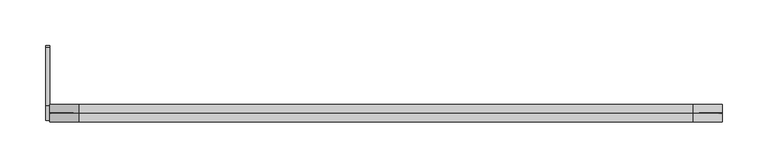
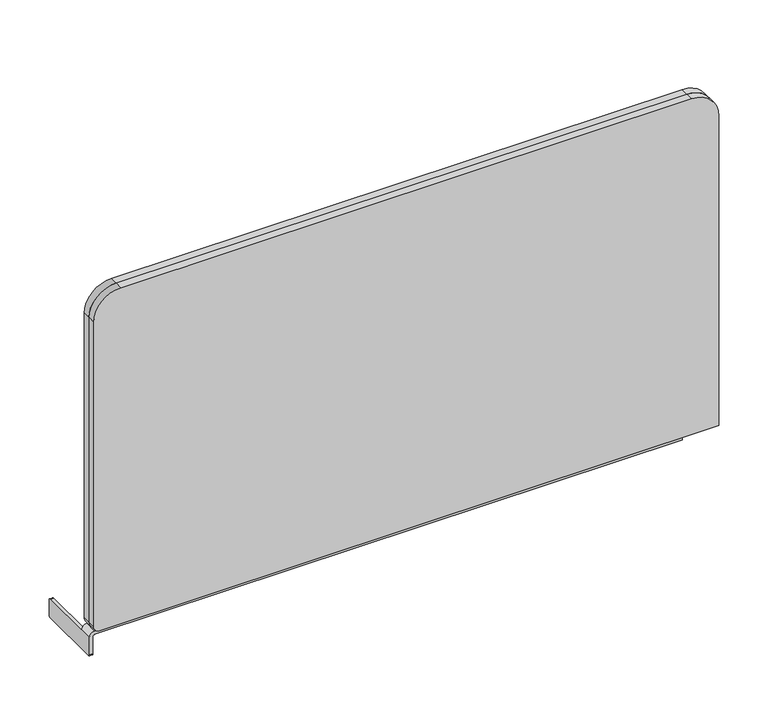
"""IFC4 building model written with IfcOpenShell, lengths in millimetres: furniture geometry."""

from ifc_helpers import new_model, si_unit, frame, origin, place, context, project, spatial, polyline, circle_curve, source, transform, mapped, element, save
from ifc_brep_helpers import plane_surface, cylinder_surface, revolved_surface, advanced_brep


def furniture_535fcc19(model_context):
    return source(origin(), model_context, "Body", "AdvancedBrep", [
        advanced_brep(
        [(726.8622707, 0.0, 420.878), (56.8092739, 0.0, 420.878), (25.0592739, 0.0, 389.128), (25.0592739, 0.0, 10.4271001), (31.4092739, 0.0, 4.0771001), (758.6122707, 0.0, 4.0771001), (758.6122707, 0.0, 389.128), (726.8622707, 19.080971, 420.878), (758.6122707, 19.080971, 389.128), (758.6122707, 19.080971, 4.0771001), (31.4092739, 19.080971, 4.0771001), (25.0592739, 19.080971, 10.4271001), (25.0592739, 19.080971, 389.128), (56.8092739, 19.080971, 420.878), (726.8622707, 9.8106096, 420.878), (758.6122707, 9.8106096, 389.128), (758.6122707, 9.8106096, 4.0771001), (31.4092739, 9.8106096, 4.0771001), (25.0592739, 9.8106096, 10.4271001), (25.0592739, 9.8106096, 389.128), (56.8092739, 9.8106096, 420.878), (758.6122707, 9.3708189, 389.128), (726.8622707, 9.3708189, 420.878), (757.8454046, 9.5907142, 389.128), (726.8622707, 9.5907142, 420.1111338), (758.6122707, 9.3708189, 4.0771001), (757.8454046, 9.5907142, 4.8439663), (31.4092739, 9.3708189, 4.0771001), (31.4092739, 9.5907142, 4.8439663), (25.0592739, 9.3708189, 10.4271001), (25.8261401, 9.5907142, 10.4271001), (25.0592739, 9.3708189, 389.128), (25.8261401, 9.5907142, 389.128), (56.8092739, 9.3708189, 420.878), (56.8092739, 9.5907142, 420.1111338)],
        [
            (0, 1),
            (1, 2, circle_curve(frame((56.8092739, 0.0, 389.128), z_axis=(0.0, -1.0, 0.0), x_axis=(-1.0, 0.0, 0.0)), 31.75)),
            (2, 3),
            (3, 4, circle_curve(frame((31.4092739, 0.0, 10.4271001), z_axis=(0.0, -1.0, 0.0), x_axis=(0.0, 0.0, -1.0)), 6.35)),
            (4, 5),
            (5, 6),
            (6, 0, circle_curve(frame((726.8622707, 0.0, 389.128), z_axis=(0.0, -1.0, 0.0), x_axis=(0.0, 0.0, 1.0)), 31.75)),
            (7, 8, circle_curve(frame((726.8622707, 19.080971, 389.128), z_axis=(0.0, 1.0, 0.0), x_axis=(0.0, 0.0, 1.0)), 31.75)),
            (8, 9),
            (9, 10),
            (10, 11, circle_curve(frame((31.4092739, 19.080971, 10.4271001), z_axis=(0.0, 1.0, 0.0), x_axis=(0.0, 0.0, -1.0)), 6.35)),
            (11, 12),
            (12, 13, circle_curve(frame((56.8092739, 19.080971, 389.128), z_axis=(0.0, 1.0, 0.0), x_axis=(-1.0, 0.0, 0.0)), 31.75)),
            (13, 7),
            (7, 14),
            (14, 15, circle_curve(frame((726.8622707, 9.8106096, 389.128), z_axis=(0.0, 1.0, 0.0), x_axis=(0.0, 0.0, 1.0)), 31.75)),
            (15, 8),
            (15, 16),
            (16, 9),
            (16, 17),
            (17, 10),
            (17, 18, circle_curve(frame((31.4092739, 9.8106096, 10.4271001), z_axis=(0.0, 1.0, 0.0), x_axis=(0.0, 0.0, -1.0)), 6.35)),
            (18, 11),
            (18, 19),
            (19, 12),
            (19, 20, circle_curve(frame((56.8092739, 9.8106096, 389.128), z_axis=(0.0, 1.0, 0.0), x_axis=(-1.0, 0.0, 0.0)), 31.75)),
            (20, 13),
            (20, 14),
            (6, 21),
            (21, 22, circle_curve(frame((726.8622707, 9.3708189, 389.128), z_axis=(0.0, -1.0, 0.0), x_axis=(0.0, 0.0, 1.0)), 31.75)),
            (22, 0),
            (21, 23),
            (23, 24, circle_curve(frame((726.8622707, 9.5907142, 389.128), z_axis=(0.0, -1.0, 0.0), x_axis=(0.0, 0.0, 1.0)), 30.9831338)),
            (24, 22),
            (14, 24),
            (23, 15),
            (5, 25),
            (25, 21),
            (25, 26),
            (26, 23),
            (26, 16),
            (4, 27),
            (27, 25),
            (27, 28),
            (28, 26),
            (28, 17),
            (3, 29),
            (29, 27, circle_curve(frame((31.4092739, 9.3708189, 10.4271001), z_axis=(0.0, -1.0, 0.0), x_axis=(0.0, 0.0, -1.0)), 6.35)),
            (29, 30),
            (30, 28, circle_curve(frame((31.4092739, 9.5907142, 10.4271001), z_axis=(0.0, -1.0, 0.0), x_axis=(0.0, 0.0, -1.0)), 5.5831338)),
            (30, 18),
            (2, 31),
            (31, 29),
            (31, 32),
            (32, 30),
            (32, 19),
            (1, 33),
            (33, 31, circle_curve(frame((56.8092739, 9.3708189, 389.128), z_axis=(0.0, -1.0, 0.0), x_axis=(-1.0, 0.0, 0.0)), 31.75)),
            (33, 34),
            (34, 32, circle_curve(frame((56.8092739, 9.5907142, 389.128), z_axis=(0.0, -1.0, 0.0), x_axis=(-1.0, 0.0, 0.0)), 30.9831338)),
            (34, 20),
            (22, 33),
            (24, 34),
        ],
        [
            plane_surface(frame((26.5962096, 0.0, 10.4271001), z_axis=(0.0, -1.0, 0.0), x_axis=(0.0, 0.0, -1.0))),
            plane_surface(frame((26.5962096, 19.080971, 10.4271001), z_axis=(0.0, 1.0, 0.0), x_axis=(0.0, 0.0, 1.0))),
            cylinder_surface(frame((726.8622707, 9.5907142, 389.128), z_axis=(0.0, 1.0, 0.0), x_axis=(0.0, 0.0, 1.0)), 31.75),
            plane_surface(frame((758.6122707, 9.8106096, 389.128), z_axis=(1.0, 0.0, 0.0), x_axis=(0.0, 0.0, -1.0))),
            plane_surface(frame((758.6122707, 9.8106096, 4.0771001), z_axis=(0.0, 0.0, -1.0), x_axis=(-1.0, 0.0, 0.0))),
            cylinder_surface(frame((31.4092739, 9.5907142, 10.4271001), z_axis=(0.0, 1.0, 0.0), x_axis=(0.0, 0.0, -1.0)), 6.35),
            plane_surface(frame((25.0592739, 9.8106096, 10.4271001), z_axis=(-1.0, 0.0, 0.0), x_axis=(0.0, 0.0, 1.0))),
            cylinder_surface(frame((56.8092739, 9.5907142, 389.128), z_axis=(0.0, 1.0, 0.0), x_axis=(-1.0, 0.0, 0.0)), 31.75),
            plane_surface(frame((56.8092739, 9.8106096, 420.878), z_axis=(0.0, 0.0, 1.0), x_axis=(1.0, 0.0, 0.0))),
            revolved_surface(polyline([(726.8622707, 9.3708189, 420.878), (726.8622707, 9.5907142, 420.1111338)]), (726.8622707, 9.5907142, 389.128), (0.0, 1.0, 0.0)),
            revolved_surface(polyline([(726.8622707, 9.5907142, 420.1111338), (726.8622707, 9.8106096, 420.878)]), (726.8622707, 9.5907142, 389.128), (0.0, 1.0, 0.0)),
            plane_surface(frame((758.6122707, 0.0, 389.128), z_axis=(1.0, 0.0, 0.0), x_axis=(0.0, 0.0, -1.0))),
            plane_surface(frame((758.6122707, 9.3708189, 389.128), z_axis=(0.2756373558146665, 0.9612616959389878, 0.0), x_axis=(0.0, 0.0, -1.0))),
            plane_surface(frame((757.8454046, 9.5907142, 389.128), z_axis=(0.2756373558169924, -0.9612616959383209, 0.0), x_axis=(0.0, 0.0, -1.0))),
            plane_surface(frame((758.6122707, 0.0, 4.0771001), z_axis=(0.0, 0.0, -1.0), x_axis=(-1.0, 0.0, 0.0))),
            plane_surface(frame((758.6122707, 9.3708189, 4.0771001), z_axis=(0.0, 0.9612616959389887, -0.27563735581466337), x_axis=(-1.0, 0.0, 0.0))),
            plane_surface(frame((757.8454046, 9.5907142, 4.8439663), z_axis=(0.0, -0.96126169593832, -0.2756373558169955), x_axis=(-1.0, 0.0, 0.0))),
            revolved_surface(polyline([(31.4092739, 9.3708189, 4.0771001), (31.4092739, 9.5907142, 4.8439663)]), (31.4092739, 9.5907142, 10.4271001), (0.0, 1.0, 0.0)),
            revolved_surface(polyline([(31.4092739, 9.5907142, 4.8439663), (31.4092739, 9.8106096, 4.0771001)]), (31.4092739, 9.5907142, 10.4271001), (0.0, 1.0, 0.0)),
            plane_surface(frame((25.0592739, 0.0, 10.4271001), z_axis=(-1.0, 0.0, 0.0), x_axis=(0.0, 0.0, 1.0))),
            plane_surface(frame((25.0592739, 9.3708189, 10.4271001), z_axis=(-0.27563735581466026, 0.9612616959389896, 0.0), x_axis=(0.0, 0.0, 1.0))),
            plane_surface(frame((25.8261401, 9.5907142, 10.4271001), z_axis=(-0.2756373558169986, -0.9612616959383191, 0.0), x_axis=(0.0, 0.0, 1.0))),
            revolved_surface(polyline([(25.0592739, 9.3708189, 389.128), (25.8261401, 9.5907142, 389.128)]), (56.8092739, 9.5907142, 389.128), (0.0, 1.0, 0.0)),
            revolved_surface(polyline([(25.8261401, 9.5907142, 389.128), (25.0592739, 9.8106096, 389.128)]), (56.8092739, 9.5907142, 389.128), (0.0, 1.0, 0.0)),
            plane_surface(frame((56.8092739, 0.0, 420.878), z_axis=(0.0, 0.0, 1.0), x_axis=(1.0, 0.0, 0.0))),
            plane_surface(frame((56.8092739, 9.3708189, 420.878), z_axis=(0.0, 0.9612616959389887, 0.27563735581466337), x_axis=(1.0, 0.0, 0.0))),
            plane_surface(frame((56.8092739, 9.5907142, 420.1111338), z_axis=(0.0, -0.96126169593832, 0.2756373558169955), x_axis=(1.0, 0.0, 0.0))),
        ],
        [
            (0, [[1, 2, 3, 4, 5, 6, 7]]),
            (1, [[8, 9, 10, 11, 12, 13, 14]]),
            (2, [[-8, 15, 16, 17]]),
            (3, [[-17, 18, 19, -9]]),
            (4, [[-19, 20, 21, -10]]),
            (5, [[-21, 22, 23, -11]]),
            (6, [[-23, 24, 25, -12]]),
            (7, [[-25, 26, 27, -13]]),
            (8, [[-15, -14, -27, 28]]),
            (2, [[-7, 29, 30, 31]]),
            (9, [[-30, 32, 33, 34]]),
            (10, [[-16, 35, -33, 36]]),
            (11, [[-6, 37, 38, -29]]),
            (12, [[-32, -38, 39, 40]]),
            (13, [[-18, -36, -40, 41]]),
            (14, [[-5, 42, 43, -37]]),
            (15, [[-39, -43, 44, 45]]),
            (16, [[-20, -41, -45, 46]]),
            (5, [[-4, 47, 48, -42]]),
            (17, [[-44, -48, 49, 50]]),
            (18, [[-22, -46, -50, 51]]),
            (19, [[-3, 52, 53, -47]]),
            (20, [[-49, -53, 54, 55]]),
            (21, [[-24, -51, -55, 56]]),
            (7, [[-2, 57, 58, -52]]),
            (22, [[-54, -58, 59, 60]]),
            (23, [[-26, -56, -60, 61]]),
            (24, [[-1, -31, 62, -57]]),
            (25, [[-34, 63, -59, -62]]),
            (26, [[-28, -61, -63, -35]]),
        ],
    ),
        advanced_brep(
        [(20.9509491, 3.7153863, -25.3926702), (20.9509491, 1.683386, -23.3606698), (20.9509491, 1.683386, -1.6884961), (20.9509491, 17.4313863, -1.6884961), (20.9509491, 17.4313863, -2.6088703), (20.9509491, 81.439386, -2.6088703), (20.9509491, 83.4713857, -4.64087), (20.9509491, 83.4713857, -23.3606698), (20.9509491, 81.4393854, -25.3926702), (25.0149498, 3.7153863, -25.3926702), (25.0149498, 81.4393854, -25.3926702), (25.0149498, 83.4713857, -23.3606698), (25.0149498, 83.4713857, -4.64087), (25.0149498, 81.439386, -2.6088703), (25.0149498, 17.4313863, -2.6088703), (25.0149498, 17.4313863, -1.7284416), (25.0149498, 1.683386, -1.7284416), (25.0149498, 1.683386, -23.3606698), (26.7309098, 1.683386, -0.0035662), (716.4029649, 1.683386, -0.0035662), (716.4029649, 1.683386, 4.0771001), (26.7309098, 1.683386, 4.0771001), (26.7309098, 17.4313863, 4.0771001), (716.4029649, 17.4313863, 4.0771001), (716.4029649, 17.4313863, -0.0035662), (26.7309098, 17.4313863, -0.0035662)],
        [
            (0, 1, circle_curve(frame((20.9509491, 3.7153863, -23.3606698), z_axis=(-1.0, 0.0, 0.0), x_axis=(0.0, -1.0, 0.0)), 2.0320003)),
            (1, 2),
            (2, 3),
            (3, 4),
            (4, 5),
            (5, 6, circle_curve(frame((20.9509491, 81.439386, -4.64087), z_axis=(-1.0, 0.0, 0.0), x_axis=(0.0, -1.0, 0.0)), 2.0319998)),
            (6, 7),
            (7, 8, circle_curve(frame((20.9509491, 81.4393854, -23.3606698), z_axis=(-1.0, 0.0, 0.0), x_axis=(0.0, -1.0, 0.0)), 2.0320003)),
            (8, 0),
            (9, 10),
            (10, 11, circle_curve(frame((25.0149498, 81.4393854, -23.3606698), z_axis=(1.0, 0.0, 0.0), x_axis=(0.0, -1.0, 0.0)), 2.0320003)),
            (11, 12),
            (12, 13, circle_curve(frame((25.0149498, 81.439386, -4.64087), z_axis=(1.0, 0.0, 0.0), x_axis=(0.0, -1.0, 0.0)), 2.0319998)),
            (13, 14),
            (14, 15),
            (15, 16),
            (16, 17),
            (17, 9, circle_curve(frame((25.0149498, 3.7153863, -23.3606698), z_axis=(1.0, 0.0, 0.0), x_axis=(0.0, -1.0, 0.0)), 2.0320003)),
            (0, 9),
            (17, 1),
            (16, 18, circle_curve(frame((26.7309098, 1.683386, -1.7284416), z_axis=(0.0, 1.0, 0.0), x_axis=(-1.0, 0.0, 0.0)), 1.7248755)),
            (18, 19),
            (19, 20),
            (20, 21),
            (21, 2, circle_curve(frame((26.7309098, 1.683386, -1.6884961), z_axis=(0.0, -1.0, 0.0), x_axis=(-1.0, 0.0, 0.0)), 5.7655961)),
            (13, 5),
            (4, 14),
            (12, 6),
            (11, 7),
            (10, 8),
            (3, 22, circle_curve(frame((26.7309098, 17.4313863, -1.6884961), z_axis=(0.0, 1.0, 0.0), x_axis=(-1.0, 0.0, 0.0)), 5.7655961)),
            (22, 23),
            (23, 24),
            (24, 25),
            (25, 15, circle_curve(frame((26.7309098, 17.4313863, -1.7284416), z_axis=(0.0, -1.0, 0.0), x_axis=(-1.0, 0.0, 0.0)), 1.7248755)),
            (25, 18),
            (21, 22),
            (19, 24),
            (23, 20),
        ],
        [
            plane_surface(frame((20.9509491, 1.683386, -23.3606698), z_axis=(-1.0, 0.0, 0.0), x_axis=(0.0, 0.0, 1.0))),
            plane_surface(frame((25.0149498, 1.683386, -23.3606698), z_axis=(1.0, 0.0, 0.0), x_axis=(0.0, 0.0, -1.0))),
            cylinder_surface(frame((25.0149498, 3.7153863, -23.3606698), z_axis=(-1.0, 0.0, 0.0), x_axis=(0.0, -1.0, 0.0)), 2.0320003),
            plane_surface(frame((20.9509491, 1.683386, -23.3606698), z_axis=(0.0, -1.0, 0.0), x_axis=(1.0, 0.0, 0.0))),
            plane_surface(frame((20.9509491, 1.683386, -2.6088703), z_axis=(0.0, 0.0, 1.0), x_axis=(1.0, 0.0, 0.0))),
            cylinder_surface(frame((25.0149498, 81.439386, -4.64087), z_axis=(-1.0, 0.0, 0.0), x_axis=(0.0, -1.0, 0.0)), 2.0319998),
            plane_surface(frame((20.9509491, 83.4713857, -4.64087), z_axis=(0.0, 1.0, 0.0), x_axis=(1.0, 0.0, 0.0))),
            cylinder_surface(frame((25.0149498, 81.4393854, -23.3606698), z_axis=(-1.0, 0.0, 0.0), x_axis=(0.0, -1.0, 0.0)), 2.0320003),
            plane_surface(frame((20.9509491, 81.4393854, -25.3926702), z_axis=(0.0, 0.0, -1.0), x_axis=(1.0, 0.0, 0.0))),
            plane_surface(frame((20.9509491, 17.4313863, 0.0), z_axis=(0.0, 1.0, 0.0), x_axis=(0.0, 0.0, 1.0))),
            revolved_surface(polyline([(25.0060343, 17.4313863, -1.7284416), (25.0060343, 1.683386, -1.7284416)]), (26.7309098, 1.683386, -1.7284416), (0.0, 1.0, 0.0)),
            cylinder_surface(frame((26.7309098, 1.683386, -1.6884961), z_axis=(0.0, -1.0, 0.0), x_axis=(-1.0, 0.0, 0.0)), 5.7655961),
            plane_surface(frame((716.4029649, 1.683386, -0.0035662), z_axis=(1.0, 0.0, 0.0), x_axis=(0.0, 1.0, 0.0))),
            plane_surface(frame((716.4029649, 1.683386, -0.0035662), z_axis=(0.0, 0.0, -1.0), x_axis=(-1.0, 0.0, 0.0))),
            plane_surface(frame((716.4029649, 17.4313863, 4.0771001), z_axis=(0.0, 0.0, 1.0), x_axis=(-1.0, 0.0, 0.0))),
        ],
        [
            (0, [[1, 2, 3, 4, 5, 6, 7, 8, 9]]),
            (1, [[10, 11, 12, 13, 14, 15, 16, 17, 18]]),
            (2, [[-1, 19, -18, 20]]),
            (3, [[-20, -17, 21, 22, 23, 24, 25, -2]]),
            (4, [[26, -5, 27, -14]]),
            (5, [[-6, -26, -13, 28]]),
            (6, [[-7, -28, -12, 29]]),
            (7, [[-8, -29, -11, 30]]),
            (8, [[-9, -30, -10, -19]]),
            (9, [[-15, -27, -4, 31, 32, 33, 34, 35]]),
            (10, [[-21, -16, -35, 36]]),
            (11, [[-25, 37, -31, -3]]),
            (12, [[38, -33, 39, -23]]),
            (13, [[-38, -22, -36, -34]]),
            (14, [[-39, -32, -37, -24]]),
        ],
    ),
    ])


if __name__ == "__main__":
    model = new_model("IFC4")
    model_context = context("Model", 3, world=origin())
    ifc_project = project(units=[si_unit("LENGTHUNIT", "METRE", prefix="MILLI")], contexts=[model_context])
    site = spatial("IfcSite", under=ifc_project)
    building = spatial("IfcBuilding", under=site)
    placement = place(None, origin())
    furniture_shape = furniture_535fcc19(model_context)
    element("IfcFurniture", 1, at=placement, inside=building, context=model_context, shape_type="MappedRepresentation", body=[
        mapped(furniture_shape, transform((0.0, 0.0, 0.0), x_axis=(1.0, 0.0, 0.0), y_axis=(0.0, 1.0, 0.0), z_axis=(0.0, 0.0, 1.0))),
    ])
    save(model, "model.ifc")
